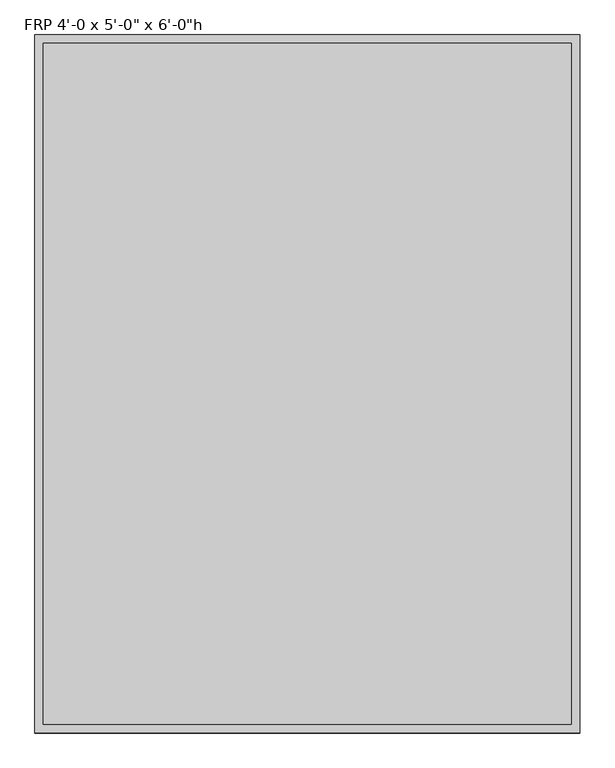
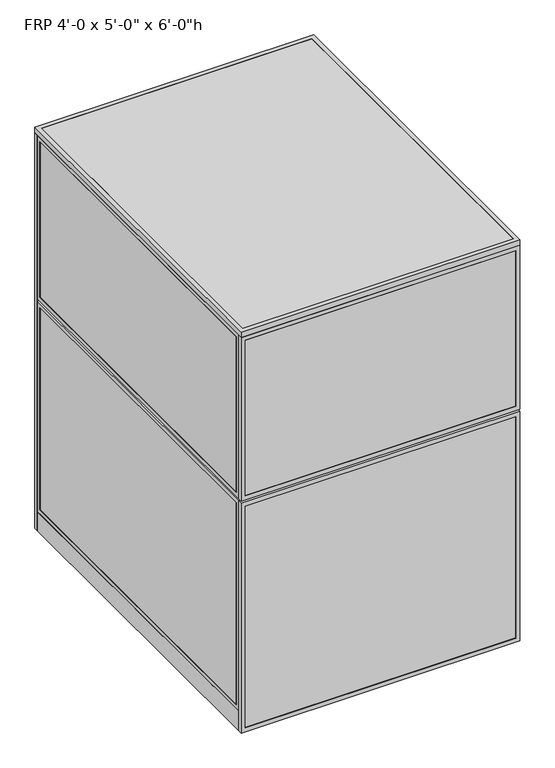
"""IFC4 building model written with IfcOpenShell, lengths in millimetres: proxy geometry."""

from ifc_helpers import new_model, si_unit, frame, origin, origin_with_axes, place, context, project, spatial, polyline, outline, extrude, source, transform, mapped, element, save


def proxy_a87f2485(model_context):
    return source(origin(), model_context, "Body", "SweptSolid", [
        extrude(outline(polyline([(60.3189838, 1541.4625), (854.0810162, 1541.4625), (854.0810162, 1525.5875), (60.3189838, 1525.5875), (60.3189838, 1541.4625)])), frame((0.0, 0.0, 60.325), z_axis=(0.0, 0.0, 1.0), x_axis=(1.0, 0.0, 0.0)), (0.0, 0.0, 1.0), 1708.15),
        extrude(outline(polyline([(41.275, 41.2689838), (41.275, 873.1310162), (1787.525, 873.1310162), (1787.525, 41.2689838), (41.275, 41.2689838)]), holes=[polyline([(1768.475, 854.0810162), (60.325, 854.0810162), (60.325, 60.3189838), (1768.475, 60.3189838), (1768.475, 854.0810162)])]), frame((0.0, 1524.0, 0.0), z_axis=(0.0, 1.0, 0.0), x_axis=(0.0, 0.0, 1.0)), (0.0, 0.0, 1.0), 19.05),
        extrude(outline(polyline([(0.0, 0.0), (0.0, 914.4), (1828.8, 914.4), (1828.8, 0.0), (0.0, 0.0)]), holes=[polyline([(1809.75, 19.05), (1809.75, 895.35), (19.05, 895.35), (19.05, 19.05), (1809.75, 19.05)])]), frame((0.0, 1524.0, 0.0), z_axis=(0.0, 1.0, 0.0), x_axis=(0.0, 0.0, 1.0)), (0.0, 0.0, 1.0), 19.05),
        extrude(outline(polyline([(933.45, 1541.4625), (1200.15, 1541.4625), (1200.15, 1525.5875), (933.45, 1525.5875), (933.45, 1541.4625)])), frame((0.0, 0.0, 19.05), z_axis=(0.0, 0.0, 1.0), x_axis=(1.0, 0.0, 0.0)), (0.0, 0.0, 1.0), 800.1),
        extrude(outline(polyline([(933.45, 1541.4625), (1200.15, 1541.4625), (1200.15, 1525.5875), (933.45, 1525.5875), (933.45, 1541.4625)])), frame((0.0, 0.0, 857.25), z_axis=(0.0, 0.0, 1.0), x_axis=(1.0, 0.0, 0.0)), (0.0, 0.0, 1.0), 952.5),
        extrude(outline(polyline([(1828.8, 1219.2), (1828.8, 914.4), (0.0, 914.4), (0.0, 1219.2), (1828.8, 1219.2)]), holes=[polyline([(857.25, 1200.15), (857.25, 933.45), (1809.75, 933.45), (1809.75, 1200.15), (857.25, 1200.15)]), polyline([(819.15, 1200.15), (19.05, 1200.15), (19.05, 933.45), (819.15, 933.45), (819.15, 1200.15)])]), frame((0.0, 1524.0, 0.0), z_axis=(0.0, 1.0, 0.0), x_axis=(0.0, 0.0, 1.0)), (0.0, 0.0, 1.0), 19.05),
        extrude(outline(polyline([(1062.0375, 1219.2), (1062.0375, 0.0), (0.0, 0.0), (0.0, 1219.2), (1062.0375, 1219.2)]), holes=[polyline([(19.05, 1200.15), (19.05, 19.05), (1042.9875, 19.05), (1042.9875, 1200.15), (19.05, 1200.15)])]), frame((0.0, -19.05, 0.0), z_axis=(0.0, 1.0, 0.0), x_axis=(0.0, 0.0, 1.0)), (0.0, 0.0, 1.0), 19.05),
        extrude(outline(polyline([(1071.5625, 1219.2), (1828.8, 1219.2), (1828.8, 0.0), (1071.5625, 0.0), (1071.5625, 1219.2)]), holes=[polyline([(1809.75, 1200.15), (1090.6125, 1200.15), (1090.6125, 19.05), (1809.75, 19.05), (1809.75, 1200.15)])]), frame((0.0, -19.05, 0.0), z_axis=(0.0, 1.0, 0.0), x_axis=(0.0, 0.0, 1.0)), (0.0, 0.0, 1.0), 19.05),
        extrude(outline(polyline([(1200.15, -17.4625), (19.05, -17.4625), (19.05, -1.5875), (1200.15, -1.5875), (1200.15, -17.4625)])), frame((0.0, 0.0, 19.05), z_axis=(0.0, 0.0, 1.0), x_axis=(1.0, 0.0, 0.0)), (0.0, 0.0, 1.0), 1023.9375),
        extrude(outline(polyline([(1200.15, -17.4625), (19.05, -17.4625), (19.05, -1.5875), (1200.15, -1.5875), (1200.15, -17.4625)])), frame((0.0, 0.0, 1090.6125), z_axis=(0.0, 0.0, 1.0), x_axis=(1.0, 0.0, 0.0)), (0.0, 0.0, 1.0), 719.1375),
        extrude(outline(polyline([(1200.15, 0.0), (1200.15, 1524.0), (1219.2, 1524.0), (1219.2, 0.0), (1200.15, 0.0)])), origin_with_axes(), (0.0, 0.0, 1.0), 88.9),
        extrude(outline(polyline([(1524.0, 88.9), (0.0, 88.9), (0.0, 1062.0375), (1524.0, 1062.0375), (1524.0, 88.9)]), holes=[polyline([(1504.95, 1042.9875), (19.05, 1042.9875), (19.05, 107.95), (1504.95, 107.95), (1504.95, 1042.9875)])]), frame((1200.15, 0.0, 0.0), z_axis=(1.0, 0.0, 0.0), x_axis=(0.0, 1.0, 0.0)), (0.0, 0.0, 1.0), 19.05),
        extrude(outline(polyline([(0.0, 1071.5625), (0.0, 1828.8), (1524.0, 1828.8), (1524.0, 1071.5625), (0.0, 1071.5625)]), holes=[polyline([(19.05, 1809.75), (19.05, 1090.6125), (1504.95, 1090.6125), (1504.95, 1809.75), (19.05, 1809.75)])]), frame((1200.15, 0.0, 0.0), z_axis=(1.0, 0.0, 0.0), x_axis=(0.0, 1.0, 0.0)), (0.0, 0.0, 1.0), 19.05),
        extrude(outline(polyline([(1201.7375, 19.05), (1201.7375, 1504.95), (1217.6125, 1504.95), (1217.6125, 19.05), (1201.7375, 19.05)])), frame((0.0, 0.0, 107.95), z_axis=(0.0, 0.0, 1.0), x_axis=(1.0, 0.0, 0.0)), (0.0, 0.0, 1.0), 935.0375),
        extrude(outline(polyline([(1201.7375, 19.05), (1201.7375, 1504.95), (1217.6125, 1504.95), (1217.6125, 19.05), (1201.7375, 19.05)])), frame((0.0, 0.0, 1090.6125), z_axis=(0.0, 0.0, 1.0), x_axis=(1.0, 0.0, 0.0)), (0.0, 0.0, 1.0), 719.1375),
        extrude(outline(polyline([(0.0, 0.0), (0.0, 1524.0), (19.05, 1524.0), (19.05, 0.0), (0.0, 0.0)])), origin_with_axes(), (0.0, 0.0, 1.0), 88.9),
        extrude(outline(polyline([(1524.0, 88.9), (0.0, 88.9), (0.0, 1062.0375), (1524.0, 1062.0375), (1524.0, 88.9)]), holes=[polyline([(1504.95, 1042.9875), (19.05, 1042.9875), (19.05, 107.95), (1504.95, 107.95), (1504.95, 1042.9875)])]), frame((0.0, 0.0, 0.0), z_axis=(1.0, 0.0, 0.0), x_axis=(0.0, 1.0, 0.0)), (0.0, 0.0, 1.0), 19.05),
        extrude(outline(polyline([(0.0, 1071.5625), (0.0, 1828.8), (1524.0, 1828.8), (1524.0, 1071.5625), (0.0, 1071.5625)]), holes=[polyline([(19.05, 1809.75), (19.05, 1090.6125), (1504.95, 1090.6125), (1504.95, 1809.75), (19.05, 1809.75)])]), frame((0.0, 0.0, 0.0), z_axis=(1.0, 0.0, 0.0), x_axis=(0.0, 1.0, 0.0)), (0.0, 0.0, 1.0), 19.05),
        extrude(outline(polyline([(1.5875, 19.05), (1.5875, 1504.95), (17.4625, 1504.95), (17.4625, 19.05), (1.5875, 19.05)])), frame((0.0, 0.0, 107.95), z_axis=(0.0, 0.0, 1.0), x_axis=(1.0, 0.0, 0.0)), (0.0, 0.0, 1.0), 935.0375),
        extrude(outline(polyline([(1.5875, 19.05), (1.5875, 1504.95), (17.4625, 1504.95), (17.4625, 19.05), (1.5875, 19.05)])), frame((0.0, 0.0, 1090.6125), z_axis=(0.0, 0.0, 1.0), x_axis=(1.0, 0.0, 0.0)), (0.0, 0.0, 1.0), 719.1375),
        extrude(outline(polyline([(1187.45, 622.3), (1187.45, 609.6), (31.75, 609.6), (31.75, 622.3), (1187.45, 622.3)])), origin_with_axes(), (0.0, 0.0, 1.0), 152.4),
        extrude(outline(polyline([(1187.45, 622.3), (1187.45, 12.7), (31.75, 12.7), (31.75, 622.3), (1187.45, 622.3)])), frame((0.0, 0.0, 152.4), z_axis=(0.0, 0.0, 1.0), x_axis=(1.0, 0.0, 0.0)), (0.0, 0.0, 1.0), 12.7),
        extrude(outline(polyline([(1219.2, 1543.05), (1219.2, -19.05), (0.0, -19.05), (0.0, 1543.05), (1219.2, 1543.05)]), holes=[polyline([(1200.15, 1524.0), (19.05, 1524.0), (19.05, 0.0), (1200.15, 0.0), (1200.15, 1524.0)])]), frame((0.0, 0.0, 1828.8), z_axis=(0.0, 0.0, 1.0), x_axis=(1.0, 0.0, 0.0)), (0.0, 0.0, 1.0), 25.4),
        extrude(outline(polyline([(19.05, 1524.0), (1200.15, 1524.0), (1200.15, 0.0), (19.05, 0.0), (19.05, 1524.0)])), frame((0.0, 0.0, 1828.8), z_axis=(0.0, 0.0, 1.0), x_axis=(1.0, 0.0, 0.0)), (0.0, 0.0, 1.0), 25.4),
    ])


if __name__ == "__main__":
    model = new_model("IFC4")
    model_context = context("Model", 3, world=origin())
    ifc_project = project(units=[si_unit("LENGTHUNIT", "METRE", prefix="MILLI")], contexts=[model_context])
    site = spatial("IfcSite", under=ifc_project)
    building = spatial("IfcBuilding", under=site)
    placement = place(None, origin())
    proxy_shape = proxy_a87f2485(model_context)
    element("IfcBuildingElementProxy", 1, Name="FRP 4'-0 x 5'-0\" x 6'-0\"h", ObjectType="FRP 4'-0 x 5'-0\" x 6'-0\"h", at=placement, inside=building, context=model_context, shape_type="MappedRepresentation", body=[
        mapped(proxy_shape, transform((0.0, 0.0, 0.0), x_axis=(1.0, 0.0, 0.0), y_axis=(0.0, 1.0, 0.0), z_axis=(0.0, 0.0, 1.0))),
    ])
    save(model, "model.ifc")
